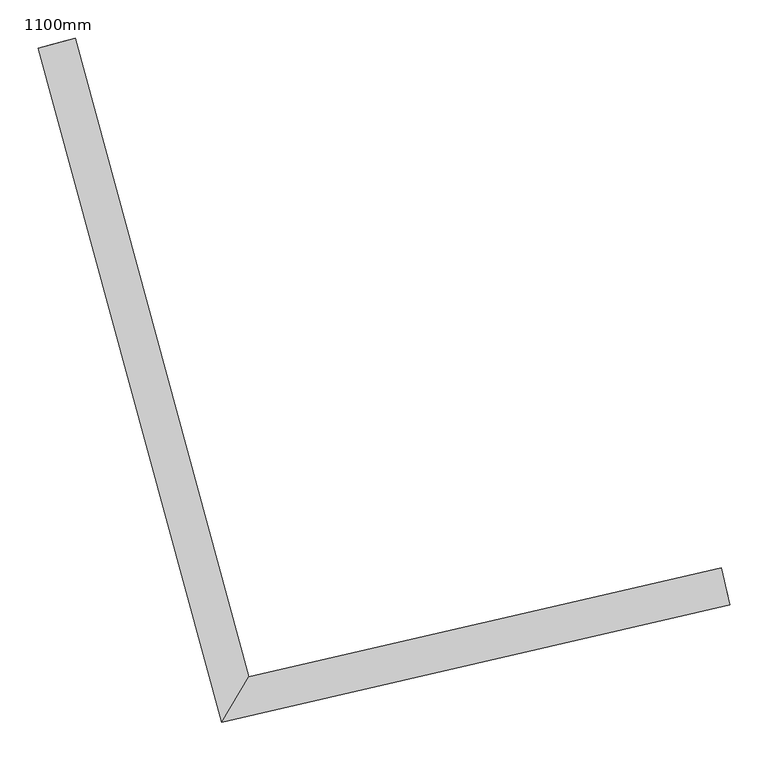
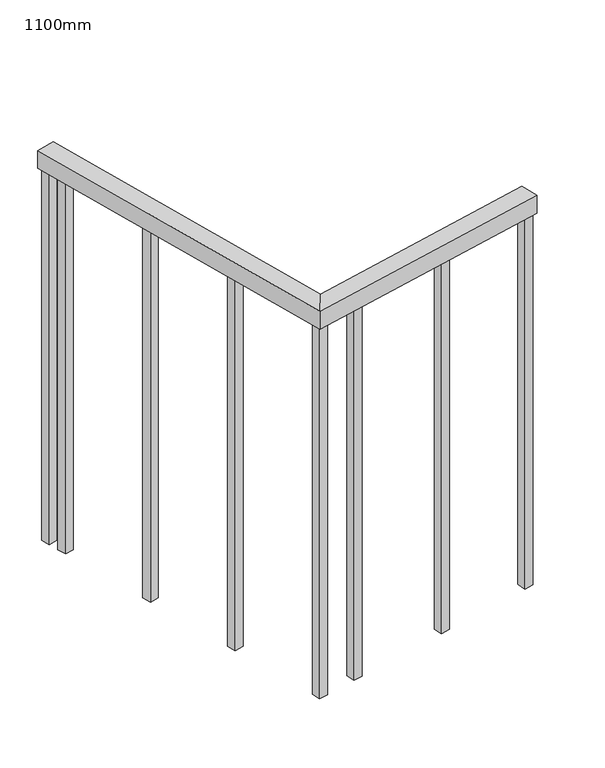
"""IFC4 building model written with IfcOpenShell, lengths in millimetres: railing geometry, 1100mm."""

from ifc_helpers import new_model, si_unit, frame, origin, place, context, project, spatial, polyline, outline, extrude, faceted_brep, source, transform, mapped, element, save


def railing_1100mm_cc8495fc(model_context):
    return source(origin(), model_context, "Body", "SolidModel", [
        faceted_brep([(166067.3671798, -79945.2808661, 1700.0), (166078.6147325, -79993.9993694, 1700.0), (166078.6147325, -79993.9993694, 1650.0), (166067.3671798, -79945.2808661, 1650.0), (165449.2204347, -80087.991287, 1700.0), (165413.5899692, -80147.5324335, 1700.0), (165413.5899692, -80147.5324335, 1650.0), (165449.2204347, -80087.991287, 1650.0), (165221.9237458, -79251.7418274, 1700.0), (165221.9237458, -79251.7418274, 1650.0), (165173.6742752, -79264.8562692, 1650.0), (165173.6742752, -79264.8562692, 1700.0)], [[[0, 1, 2, 3]], [[1, 0, 4, 5]], [[2, 1, 5, 6]], [[3, 2, 6, 7]], [[0, 3, 7, 4]], [[8, 9, 10, 11]], [[5, 4, 8, 11]], [[6, 5, 11, 10]], [[7, 6, 10, 9]], [[4, 7, 9, 8]]]),
        extrude(outline(polyline([(165230.3578895, -79330.4293523), (165206.2331542, -79336.9865732), (165199.6759333, -79312.8618379), (165223.8006686, -79306.304617), (165230.3578895, -79330.4293523)])), frame((0.0, 0.0, 600.0), z_axis=(0.0, 0.0, 1.0), x_axis=(1.0, 0.0, 0.0)), (0.0, 0.0, 1.0), 1050.0),
        extrude(outline(polyline([(165302.4873197, -79595.8014407), (165278.3625844, -79602.3586616), (165271.8053635, -79578.2339263), (165295.9300988, -79571.6767054), (165302.4873197, -79595.8014407)])), frame((0.0, 0.0, 600.0), z_axis=(0.0, 0.0, 1.0), x_axis=(1.0, 0.0, 0.0)), (0.0, 0.0, 1.0), 1050.0),
        extrude(outline(polyline([(165374.6167499, -79861.1735291), (165350.4920146, -79867.73075), (165343.9347936, -79843.6060147), (165368.059529, -79837.0487938), (165374.6167499, -79861.1735291)])), frame((0.0, 0.0, 600.0), z_axis=(0.0, 0.0, 1.0), x_axis=(1.0, 0.0, 0.0)), (0.0, 0.0, 1.0), 1050.0),
        extrude(outline(polyline([(165546.4551581, -80078.3716837), (165552.0789345, -80102.7309353), (165527.7196829, -80108.3547116), (165522.0959065, -80083.99546), (165546.4551581, -80078.3716837)])), frame((0.0, 0.0, 600.0), z_axis=(0.0, 0.0, 1.0), x_axis=(1.0, 0.0, 0.0)), (0.0, 0.0, 1.0), 1050.0),
        extrude(outline(polyline([(165814.4069259, -80016.5101437), (165820.0307023, -80040.8693953), (165795.6714507, -80046.4931717), (165790.0476743, -80022.1339201), (165814.4069259, -80016.5101437)])), frame((0.0, 0.0, 600.0), z_axis=(0.0, 0.0, 1.0), x_axis=(1.0, 0.0, 0.0)), (0.0, 0.0, 1.0), 1050.0),
        extrude(outline(polyline([(165440.7729396, -80102.7703463), (165446.3967159, -80127.1295979), (165422.0374643, -80132.7533743), (165416.413688, -80108.3941227), (165440.7729396, -80102.7703463)])), frame((0.0, 0.0, 600.0), z_axis=(0.0, 0.0, 1.0), x_axis=(1.0, 0.0, 0.0)), (0.0, 0.0, 1.0), 1050.0),
        extrude(outline(polyline([(165216.4185991, -79279.1451732), (165192.2938638, -79285.7023941), (165185.7366428, -79261.5776588), (165209.8613781, -79255.0204379), (165216.4185991, -79279.1451732)])), frame((0.0, 0.0, 600.0), z_axis=(0.0, 0.0, 1.0), x_axis=(1.0, 0.0, 0.0)), (0.0, 0.0, 1.0), 1050.0),
        extrude(outline(polyline([(166070.1790679, -79957.460492), (166075.8028443, -79981.8197436), (166051.4435927, -79987.4435199), (166045.8198163, -79963.0842683), (166070.1790679, -79957.460492)])), frame((0.0, 0.0, 600.0), z_axis=(0.0, 0.0, 1.0), x_axis=(1.0, 0.0, 0.0)), (0.0, 0.0, 1.0), 1050.0),
    ])


if __name__ == "__main__":
    model = new_model("IFC4")
    model_context = context("Model", 3, world=origin())
    ifc_project = project(units=[si_unit("LENGTHUNIT", "METRE", prefix="MILLI")], contexts=[model_context])
    site = spatial("IfcSite", under=ifc_project)
    building = spatial("IfcBuilding", under=site)
    placement = place(None, origin())
    railing_1100mm_shape = railing_1100mm_cc8495fc(model_context)
    element("IfcRailing", 1, ObjectType="1100mm", at=placement, inside=building, context=model_context, shape_type="MappedRepresentation", body=[
        mapped(railing_1100mm_shape, transform((0.0, 0.0, 0.0), x_axis=(1.0, 0.0, 0.0), y_axis=(0.0, 1.0, 0.0), z_axis=(0.0, 0.0, 1.0))),
    ])
    save(model, "model.ifc")
